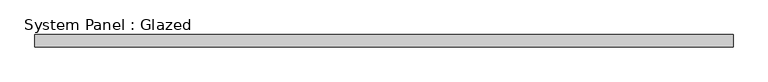
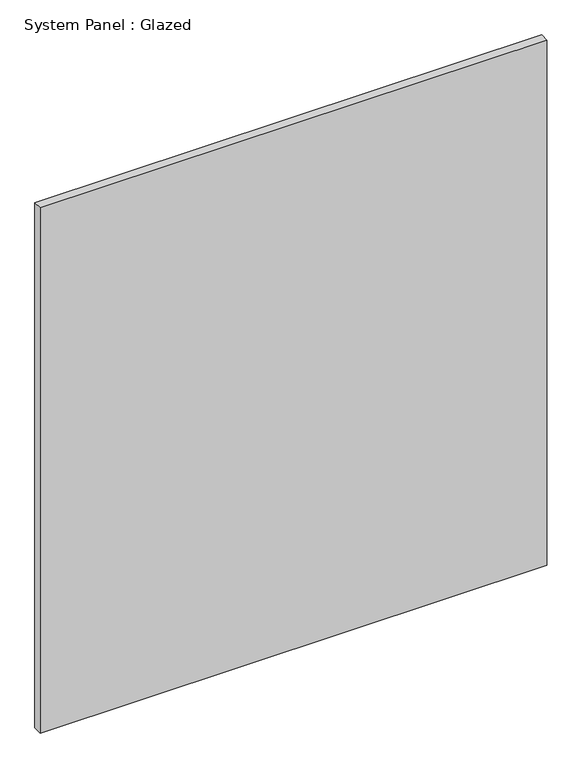
"""IFC4 building model written with IfcOpenShell, lengths in millimetres: plate geometry, System Panel : Glazed."""

from ifc_helpers import new_model, si_unit, origin, origin_with_axes, place, context, project, spatial, polyline, outline, extrude, source, transform, mapped, element, save


def system_panel_glazed_65d4fd63(model_context):
    return source(origin(), model_context, "Body", "SweptSolid", [
        extrude(outline(polyline([(696.0526316, 24.5), (-696.0526316, 24.5), (-696.0526316, 49.5), (696.0526316, 49.5), (696.0526316, 24.5)])), origin_with_axes(), (0.0, 0.0, 1.0), 1525.0),
    ])


if __name__ == "__main__":
    model = new_model("IFC4")
    model_context = context("Model", 3, world=origin())
    ifc_project = project(units=[si_unit("LENGTHUNIT", "METRE", prefix="MILLI")], contexts=[model_context])
    site = spatial("IfcSite", under=ifc_project)
    building = spatial("IfcBuilding", under=site)
    placement = place(None, origin())
    system_panel_glazed_shape = system_panel_glazed_65d4fd63(model_context)
    element("IfcPlate", 1, ObjectType="System Panel : Glazed", at=placement, inside=building, context=model_context, shape_type="MappedRepresentation", body=[
        mapped(system_panel_glazed_shape, transform((0.0, 0.0, 0.0), x_axis=(1.0, 0.0, 0.0), y_axis=(0.0, 1.0, 0.0), z_axis=(0.0, 0.0, 1.0))),
    ])
    save(model, "model.ifc")
